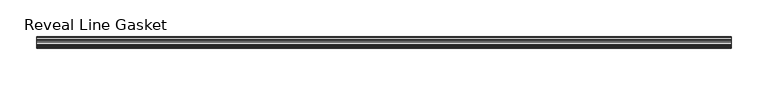
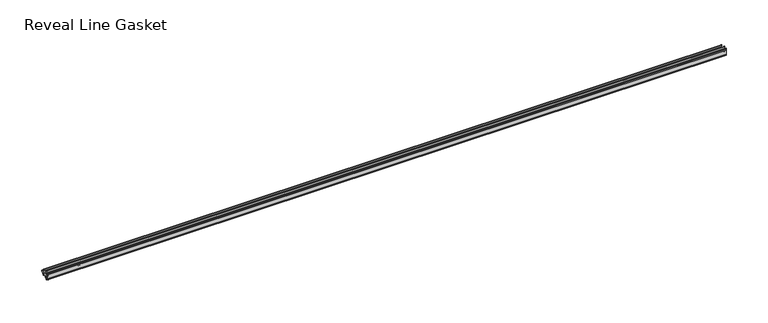
"""IFC4 building model written with IfcOpenShell, lengths in millimetres: furniture geometry, Reveal Line Gasket."""

from ifc_helpers import new_model, si_unit, point, frame, frame_2d, origin, place, context, project, spatial, polyline, circle_curve, trimmed, segment, composite_curve, outline, extrude, source, transform, mapped, element, save


def reveal_line_gasket_61a7edba(model_context):
    return source(origin(), model_context, "Body", "SweptSolid", [
        extrude(outline(composite_curve([segment(polyline([(-7.6326998, 1603.2), (-7.4091917, 1604.1554927), (-6.8813059, 1605.0884684)]), True, "CONTINUOUS"), segment(trimmed(circle_curve(frame_2d((-6.5243141, 1604.8864793)), 0.4101739), [point((-6.8813059, 1605.0884684))], [point((-6.1246704, 1604.7941347))], False, "CARTESIAN"), True, "CONTINUOUS"), segment(polyline([(-6.1246704, 1604.7941347), (-6.3626997, 1603.0979086), (-6.3626997, 1601.0654527)]), True, "CONTINUOUS"), segment(trimmed(circle_curve(frame_2d((-5.6959605, 1601.4819258)), 0.786124), [point((-6.3626997, 1601.0654527))], [point((-5.0926996, 1600.977875))], True, "CARTESIAN"), True, "CONTINUOUS"), segment(polyline([(-5.0926996, 1600.977875), (-0.7492996, 1600.977875), (-3.7293824, 1606.1395295)]), True, "CONTINUOUS"), segment(trimmed(circle_curve(frame_2d((-3.3132479, 1606.2049761)), 0.4212495), [point((-3.7293824, 1606.1395295))], [point((-3.0485022, 1606.5326358))], False, "CARTESIAN"), True, "CONTINUOUS"), segment(polyline([(-3.0485022, 1606.5326358), (0.5742594, 1600.977875), (4.8262978, 1600.977875), (3.1660374, 1603.8535297)]), True, "CONTINUOUS"), segment(trimmed(circle_curve(frame_2d((3.5978728, 1603.9118855)), 0.4357605), [point((3.1660374, 1603.8535297))], [point((3.864328, 1604.2566881))], False, "CARTESIAN"), True, "CONTINUOUS"), segment(polyline([(3.864328, 1604.2566881), (6.1944059, 1600.977875), (7.6326998, 1600.977875), (7.6326998, 1599.422125), (6.1944059, 1599.422125), (3.864328, 1596.1433119)]), True, "CONTINUOUS"), segment(trimmed(circle_curve(frame_2d((3.5978728, 1596.4881145)), 0.4357605), [point((3.864328, 1596.1433119))], [point((3.1660374, 1596.5464703))], False, "CARTESIAN"), True, "CONTINUOUS"), segment(polyline([(3.1660374, 1596.5464703), (4.8262978, 1599.422125), (0.5742594, 1599.422125), (-3.0485022, 1593.8673642)]), True, "CONTINUOUS"), segment(trimmed(circle_curve(frame_2d((-3.3132479, 1594.1950239)), 0.4212495), [point((-3.0485022, 1593.8673642))], [point((-3.7293824, 1594.2604705))], False, "CARTESIAN"), True, "CONTINUOUS"), segment(polyline([(-3.7293824, 1594.2604705), (-0.7492996, 1599.422125), (-5.0926996, 1599.422125)]), True, "CONTINUOUS"), segment(trimmed(circle_curve(frame_2d((-5.6959605, 1598.9180742)), 0.786124), [point((-5.0926996, 1599.422125))], [point((-6.3626997, 1599.3345473))], True, "CARTESIAN"), True, "CONTINUOUS"), segment(polyline([(-6.3626997, 1599.3345473), (-6.3626997, 1597.3020914), (-6.1246704, 1595.6058653)]), True, "CONTINUOUS"), segment(trimmed(circle_curve(frame_2d((-6.5243141, 1595.5135207)), 0.4101739), [point((-6.1246704, 1595.6058653))], [point((-6.8813059, 1595.3115316))], False, "CARTESIAN"), True, "CONTINUOUS"), segment(polyline([(-6.8813059, 1595.3115316), (-7.4091917, 1596.2445073), (-7.6326998, 1597.2), (-7.6326998, 1603.2)]), True, "CONTINUOUS")], self_intersect=False)), frame((-471.2750006, 0.0, 0.0), z_axis=(1.0, 0.0, 0.0), x_axis=(0.0, 1.0, 0.0)), (0.0, 0.0, 1.0), 942.5500012),
    ])


if __name__ == "__main__":
    model = new_model("IFC4")
    model_context = context("Model", 3, world=origin())
    ifc_project = project(units=[si_unit("LENGTHUNIT", "METRE", prefix="MILLI")], contexts=[model_context])
    site = spatial("IfcSite", under=ifc_project)
    building = spatial("IfcBuilding", under=site)
    placement = place(None, origin())
    reveal_line_gasket_shape = reveal_line_gasket_61a7edba(model_context)
    element("IfcFurniture", 1, ObjectType="Reveal Line Gasket", at=placement, inside=building, context=model_context, shape_type="MappedRepresentation", body=[
        mapped(reveal_line_gasket_shape, transform((0.0, 0.0, 0.0), x_axis=(1.0, 0.0, 0.0), y_axis=(0.0, 1.0, 0.0), z_axis=(0.0, 0.0, 1.0))),
    ])
    save(model, "model.ifc")
